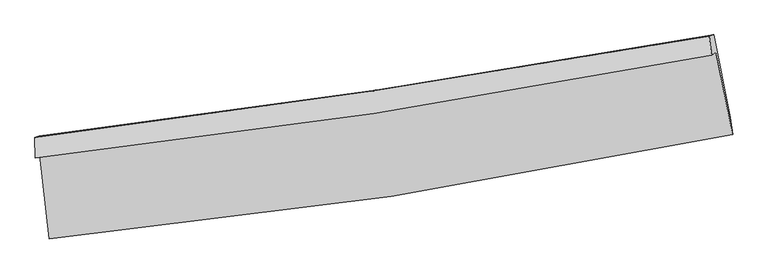
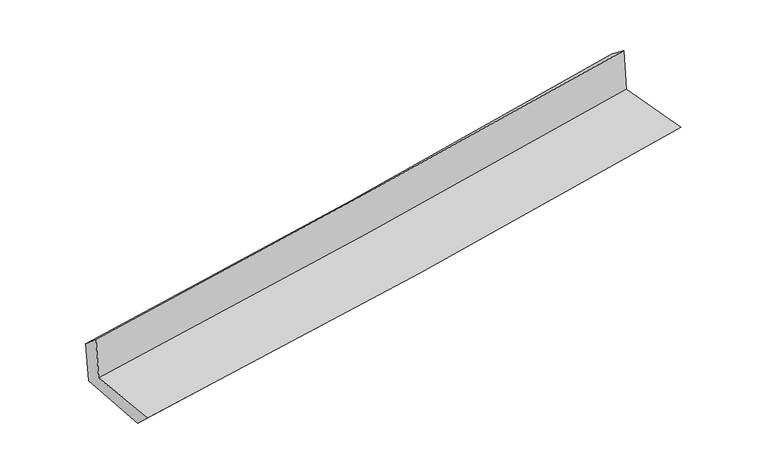
"""IFC4 building model written with IfcOpenShell, lengths in millimetres: proxy geometry."""

from ifc_helpers import new_model, si_unit, frame, origin, place, context, project, spatial, source, transform, mapped, element, save
from ifc_brep_helpers import plane_surface, spline_curve, spline_surface, advanced_brep


def generic_models_315e25fd(model_context):
    return source(origin(), model_context, "Body", "AdvancedBrep", [
        advanced_brep(
        [(-2676.1062959, -1887.2519182, 1663.7634729), (-2604.33115, -2545.5895597, 1653.9880767), (2758.6541588, -1726.0366823, 2091.3525244), (2628.1838133, -1079.8384769, 2115.2704032), (-2711.3974356, -1909.2556481, 2065.7357246), (2593.3262133, -1101.5718984, 2512.3045625), (-2715.5986457, -1748.6924908, 1926.1130503), (2574.9620438, -953.6906706, 2401.2647678), (-2681.4351294, -1738.4049898, 1549.6372954), (2609.4929017, -943.4240977, 2030.5879856), (-2607.3730226, -2389.0645649, 1506.6301031), (2741.7080965, -1591.4710999, 1992.6979032)],
        [
            (0, 1),
            (1, 2, spline_curve(3, [(-2604.33115, -2545.5895597, 1653.9880767), (-1706.947770096, -2458.489290958, 1750.769953303), (-812.26593206, -2346.836595492, 1835.557046256), (975.418441358, -2073.857730409, 1981.445554845), (1868.398372726, -1912.326133682, 2042.446610761), (2758.6541588, -1726.0366823, 2091.3525244)], [4, 2, 4], [0.0, 8.865752366487255, 17.76851688709945])),
            (2, 3),
            (3, 0, spline_curve(3, [(2628.1838133, -1079.8384769, 2115.2704032), (1746.258751735, -1250.878082021, 2057.94383437), (862.347171075, -1403.784800193, 1991.557765564), (-905.766014928, -1672.772156895, 1840.980284555), (-1789.951137512, -1789.003252516, 1756.864042948), (-2676.1062959, -1887.2519182, 1663.7634729)], [4, 2, 4], [0.0, 8.902764520612196, 17.76851688709945])),
            (4, 0),
            (3, 5),
            (5, 4, spline_curve(3, [(2593.3262133, -1101.5718984, 2512.3045625), (1710.890453679, -1272.929919616, 2460.794932076), (826.687777215, -1426.018133548, 2397.724498062), (-941.568100039, -1695.094457021, 2248.772293376), (-1825.606639632, -1811.234159276, 2162.986448035), (-2711.3974356, -1909.2556481, 2065.7357246)], [4, 2, 4], [0.0, 8.853889665502699, 17.670970368110098])),
            (6, 4),
            (5, 7),
            (7, 6, spline_curve(3, [(2574.9620438, -953.6906706, 2401.2647678), (1694.687008169, -1108.983375061, 2323.546995375), (812.74761187, -1252.994428268, 2245.007946377), (-950.786427771, -1517.901425685, 2086.617226265), (-1832.367261385, -1638.890979461, 2006.772369201), (-2715.5986457, -1748.6924908, 1926.1130503)], [4, 2, 4], [0.0, 8.841722680496444, 17.646686980848962])),
            (8, 6),
            (7, 9),
            (9, 8, spline_curve(3, [(2609.4929017, -943.4240977, 2030.5879856), (1729.080684959, -1098.743214403, 1952.762785732), (847.042101462, -1242.765694931, 1873.684871893), (-916.614070558, -1507.665592212, 1713.357580863), (-1798.218163784, -1628.636742297, 1632.118597974), (-2681.4351294, -1738.4049898, 1549.6372954)], [4, 2, 4], [0.0, 8.830509354172444, 17.62430694623306])),
            (10, 8),
            (9, 11),
            (11, 10, spline_curve(3, [(2741.7080965, -1591.4710999, 1992.6979032), (1852.80300241, -1755.488617586, 1913.504816527), (961.660525071, -1904.069861495, 1833.316179889), (-821.385079415, -2169.806267584, 1671.285319035), (-1713.269641501, -2287.089512311, 1589.451355923), (-2607.3730226, -2389.0645649, 1506.6301031)], [4, 2, 4], [0.0, 8.879452974431235, 17.721990709638305])),
            (1, 10),
            (11, 2),
        ],
        [
            spline_surface(3, 3, [[(-2676.1062959, -1887.2519182, 1663.7634729), (-1789.951137477, -1789.003252519, 1756.864043082), (-905.766015009, -1672.772156872, 1840.980284551), (862.347171156, -1403.784800216, 1991.557765567), (1746.258751728, -1250.878082101, 2057.943834247), (2628.1838133, -1079.8384769, 2115.2704032)], [(-2652.181247269, -2106.697798726, 1660.505007478), (-1762.283348345, -2012.165265356, 1754.832679773), (-874.599320642, -1897.460303045, 1839.17253851), (900.03759451, -1627.142443644, 1988.187028629), (1786.971958689, -1471.360765957, 2052.77809309), (2671.673928458, -1295.237878716, 2107.297776927)], [(-2628.256198631, -2326.143679174, 1657.246542122), (-1734.615559206, -2235.327278116, 1752.801316531), (-843.43262628, -2122.148449222, 1837.36479243), (937.728017858, -1850.500087078, 1984.816291651), (1827.685165674, -1691.843449767, 2047.612351953), (2715.164043642, -1510.637280484, 2099.325150673)], [(-2604.33115, -2545.5895597, 1653.9880767), (-1706.947770074, -2458.489290953, 1750.769953222), (-812.265931914, -2346.836595395, 1835.557046388), (975.418441211, -2073.857730507, 1981.445554712), (1868.398372635, -1912.326133624, 2042.446610797), (2758.6541588, -1726.0366823, 2091.3525244)]], [4, 4], [4, 2, 4], [0.0, 2.2309756337305147], [0.0, 8.865752366487255, 17.76851688709945]),
            spline_surface(3, 3, [[(-2711.3974356, -1909.2556481, 2065.7357246), (-1825.606639733, -1811.23415942, 2162.986448013), (-941.568100032, -1695.094456957, 2248.772293353), (826.687777207, -1426.018133612, 2397.724498085), (1710.890453817, -1272.92991947, 2460.794932056), (2593.3262133, -1101.5718984, 2512.3045625)], [(-2699.633722395, -1901.921071463, 1931.744974048), (-1813.721472342, -1803.823857116, 2027.612313051), (-929.634071702, -1687.653690267, 2112.841623752), (838.574241846, -1418.607022485, 2262.335587245), (1722.679886445, -1265.579306988, 2326.511232782), (2604.945413291, -1094.327424542, 2379.959842729)], [(-2687.870009105, -1894.586494837, 1797.754223452), (-1801.836304867, -1796.413554823, 1892.238178044), (-917.700043338, -1680.212923563, 1976.910954152), (850.460706518, -1411.195911343, 2126.946676407), (1734.4693191, -1258.228694582, 2192.227533521), (2616.564613309, -1087.082950758, 2247.615122971)], [(-2676.1062959, -1887.2519182, 1663.7634729), (-1789.951137477, -1789.003252519, 1756.864043082), (-905.766015009, -1672.772156872, 1840.980284551), (862.347171156, -1403.784800216, 1991.557765567), (1746.258751728, -1250.878082101, 2057.943834247), (2628.1838133, -1079.8384769, 2115.2704032)]], [4, 4], [4, 2, 4], [0.0, 1.3423502733354904], [0.0, 8.817080702607399, 17.670970368110098]),
            spline_surface(3, 3, [[(-2715.5986457, -1748.6924908, 1926.1130503), (-1832.367261363, -1638.89097932, 2006.772369306), (-950.786427857, -1517.901425758, 2086.617226143), (812.747611956, -1252.994428194, 2245.0079465), (1694.687008297, -1108.983375043, 2323.546995489), (2574.9620438, -953.6906706, 2401.2647678)], [(-2714.198242323, -1802.213543232, 1972.65394175), (-1830.113720809, -1696.338706019, 2058.843728892), (-947.713651901, -1576.965769507, 2140.668915211), (817.39433372, -1310.668996683, 2295.913463693), (1700.088156816, -1163.632223213, 2369.296307685), (2581.083433646, -1002.984413228, 2438.278032708)], [(-2712.797838977, -1855.734595668, 2019.19483315), (-1827.860180287, -1753.786432721, 2110.915088428), (-944.640875987, -1636.030113208, 2194.720604284), (822.041055444, -1368.343565123, 2346.818980891), (1705.489305298, -1218.2810713, 2415.045619859), (2587.204823454, -1052.278155772, 2475.291297592)], [(-2711.3974356, -1909.2556481, 2065.7357246), (-1825.606639733, -1811.23415942, 2162.986448013), (-941.568100032, -1695.094456957, 2248.772293353), (826.687777207, -1426.018133612, 2397.724498085), (1710.890453817, -1272.92991947, 2460.794932056), (2593.3262133, -1101.5718984, 2512.3045625)]], [4, 4], [4, 2, 4], [0.0, 0.7734295580034717], [0.0, 8.804964300352518, 17.646686980848962]),
            spline_surface(3, 3, [[(-2681.4351294, -1738.4049898, 1549.6372954), (-1798.218163866, -1628.636742343, 1632.118597963), (-916.61407044, -1507.665592157, 1713.357580846), (847.042101343, -1242.765694986, 1873.68487191), (1729.080684914, -1098.743214447, 1952.762785816), (2609.4929017, -943.4240977, 2030.5879856)], [(-2692.822968158, -1741.83415681, 1675.129213671), (-1809.601196357, -1632.054821345, 1757.003188382), (-928.004856261, -1511.077536688, 1837.777462606), (835.610604866, -1246.17527272, 1997.459230101), (1717.616126025, -1102.156601299, 2076.357522376), (2597.982615717, -946.846288653, 2154.146913003)], [(-2704.210806942, -1745.26332379, 1800.621132029), (-1820.984228872, -1635.472900318, 1881.887778887), (-939.395642036, -1514.489481227, 1962.197344383), (824.179108434, -1249.584850461, 2121.233588309), (1706.151567186, -1105.569988191, 2199.952258929), (2586.472329783, -950.268479647, 2277.705840397)], [(-2715.5986457, -1748.6924908, 1926.1130503), (-1832.367261363, -1638.89097932, 2006.772369306), (-950.786427857, -1517.901425758, 2086.617226143), (812.747611956, -1252.994428194, 2245.0079465), (1694.687008297, -1108.983375043, 2323.546995489), (2574.9620438, -953.6906706, 2401.2647678)]], [4, 4], [4, 2, 4], [0.0, 1.2270275473351449], [0.0, 8.793797592060615, 17.62430694623306]),
            spline_surface(3, 3, [[(-2607.3730226, -2389.0645649, 1506.6301031), (-1713.269641605, -2287.089512194, 1589.451355914), (-821.385079327, -2169.80626769, 1671.285319177), (961.660524982, -1904.069861389, 1833.316179747), (1852.803002435, -1755.488617578, 1913.504816542), (2741.7080965, -1591.4710999, 1992.6979032)], [(-2632.060391545, -2172.178039853, 1520.965833868), (-1741.585815704, -2067.605255564, 1603.673769932), (-853.128076334, -1949.092709157, 1685.309406408), (923.4543838, -1683.635139233, 1846.772410476), (1811.56222995, -1536.573483211, 1926.590806286), (2697.636364922, -1375.455432509, 2005.327930653)], [(-2656.747760455, -1955.291514847, 1535.301564632), (-1769.901989768, -1848.120998973, 1617.896183945), (-884.871073433, -1728.37915069, 1699.333493614), (885.248242526, -1463.200417142, 1860.228641181), (1770.321457399, -1317.658348815, 1939.676796072), (2653.564633278, -1159.439765091, 2017.957958147)], [(-2681.4351294, -1738.4049898, 1549.6372954), (-1798.218163866, -1628.636742343, 1632.118597963), (-916.61407044, -1507.665592157, 1713.357580846), (847.042101343, -1242.765694986, 1873.68487191), (1729.080684914, -1098.743214447, 1952.762785816), (2609.4929017, -943.4240977, 2030.5879856)]], [4, 4], [4, 2, 4], [0.0, 2.2022977914681863], [0.0, 8.84253773520707, 17.721990709638305]),
            spline_surface(3, 3, [[(-2604.33115, -2545.5895597, 1653.9880767), (-1706.947770074, -2458.489290953, 1750.769953222), (-812.265931914, -2346.836595395, 1835.557046388), (975.418441211, -2073.857730507, 1981.445554712), (1868.398372635, -1912.326133624, 2042.446610797), (2758.6541588, -1726.0366823, 2091.3525244)], [(-2605.34510751, -2493.414561416, 1604.868752185), (-1709.055060561, -2401.356031349, 1696.997087471), (-815.305647737, -2287.826486165, 1780.799803971), (970.832469116, -2017.261774139, 1932.069096377), (1863.199915902, -1860.046961594, 1999.466012726), (2753.005471367, -1681.181488152, 2058.467650681)], [(-2606.35906509, -2441.239563184, 1555.749427615), (-1711.162351118, -2344.222771798, 1643.224221665), (-818.345363504, -2228.81637692, 1726.042561594), (966.246497077, -1960.665817756, 1882.692638082), (1858.001459169, -1807.767789608, 1956.485414612), (2747.356783933, -1636.326294048, 2025.582776919)], [(-2607.3730226, -2389.0645649, 1506.6301031), (-1713.269641605, -2287.089512194, 1589.451355914), (-821.385079327, -2169.80626769, 1671.285319177), (961.660524982, -1904.069861389, 1833.316179747), (1852.803002435, -1755.488617578, 1913.504816542), (2741.7080965, -1591.4710999, 1992.6979032)]], [4, 4], [4, 2, 4], [0.0, 0.7665137859858828], [0.0, 8.902226348354539, 17.84161711999095]),
            plane_surface(frame((2651.0545379, -1232.6721543, 2190.5796911), z_axis=(0.9763485340333129, 0.19356429793429272, 0.09631408337416503), x_axis=(-0.09271939961221873, -0.02756695107228235, 0.9953105928021304))),
            plane_surface(frame((-2666.0402799, -2036.3765286, 1727.6446205), z_axis=(-0.9899717774350454, -0.10655433185828513, -0.09274726003678842), x_axis=(-0.10837078148605296, 0.9940009708394405, 0.014759528798440405))),
        ],
        [
            (0, [[1, 2, 3, 4]]),
            (1, [[5, -4, 6, 7]]),
            (2, [[8, -7, 9, 10]]),
            (3, [[11, -10, 12, 13]]),
            (4, [[14, -13, 15, 16]]),
            (5, [[17, -16, 18, -2]]),
            (6, [[-12, -9, -6, -3, -18, -15]]),
            (7, [[-1, -5, -8, -11, -14, -17]]),
        ],
    ),
    ])


if __name__ == "__main__":
    model = new_model("IFC4")
    model_context = context("Model", 3, world=origin())
    ifc_project = project(units=[si_unit("LENGTHUNIT", "METRE", prefix="MILLI")], contexts=[model_context])
    site = spatial("IfcSite", under=ifc_project)
    building = spatial("IfcBuilding", under=site)
    placement = place(None, origin())
    generic_models_shape = generic_models_315e25fd(model_context)
    element("IfcBuildingElementProxy", 1, Name="Generic Models", at=placement, inside=building, context=model_context, shape_type="MappedRepresentation", body=[
        mapped(generic_models_shape, transform((0.0, 0.0, 0.0), x_axis=(1.0, 0.0, 0.0), y_axis=(0.0, 1.0, 0.0), z_axis=(0.0, 0.0, 1.0))),
    ])
    save(model, "model.ifc")
